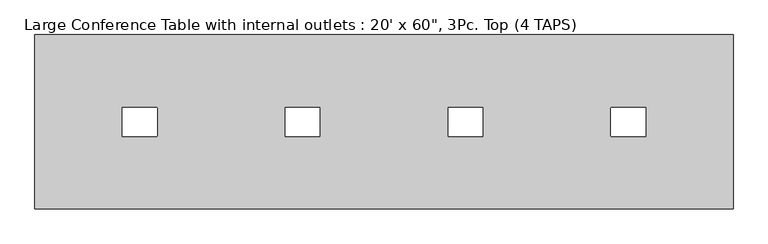
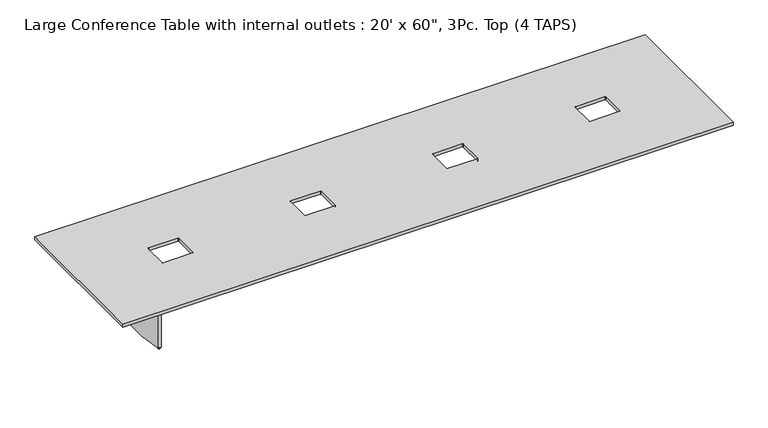
"""IFC4 building model written with IfcOpenShell, lengths in millimetres: furniture geometry."""

from ifc_helpers import new_model, si_unit, point, frame, frame_2d, origin, place, context, project, spatial, polyline, circle_curve, trimmed, segment, composite_curve, outline, extrude, source, transform, mapped, element, save
from ifc_brep_helpers import plane_surface, cylinder_surface, advanced_brep


def furniture_cb877c6b(model_context):
    return source(origin(), model_context, "Body", "SolidModel", [
        advanced_brep(
        [(-2438.4, -330.2, 0.0), (-2438.4, -340.51875, 0.0), (-2438.4, -319.88125, 0.0), (-2438.4, -326.23125, 9.525), (-2438.4, -334.16875, 9.525), (-2438.4, -330.2, 9.525), (-2438.4, -326.23125, 6.35), (-2438.4, -334.16875, 6.35), (-2438.4, -319.88125, 6.35), (-2438.4, -340.51875, 6.35)],
        [
            (0, 1),
            (1, 2, circle_curve(frame((-2438.4, -330.2, 0.0), z_axis=(0.0, 0.0, -1.0), x_axis=(0.0, -1.0, 0.0)), 10.31875)),
            (2, 0),
            (2, 1, circle_curve(frame((-2438.4, -330.2, 0.0), z_axis=(0.0, 0.0, -1.0), x_axis=(0.0, -1.0, 0.0)), 10.31875)),
            (3, 4, circle_curve(frame((-2438.4, -330.2, 9.525), z_axis=(0.0, 0.0, 1.0), x_axis=(0.0, -1.0, 0.0)), 3.96875)),
            (4, 5),
            (5, 3),
            (4, 3, circle_curve(frame((-2438.4, -330.2, 9.525), z_axis=(0.0, 0.0, 1.0), x_axis=(0.0, -1.0, 0.0)), 3.96875)),
            (6, 7, circle_curve(frame((-2438.4, -330.2, 6.35), z_axis=(0.0, 0.0, 1.0), x_axis=(0.0, -1.0, 0.0)), 3.96875)),
            (7, 4),
            (3, 6),
            (7, 6, circle_curve(frame((-2438.4, -330.2, 6.35), z_axis=(0.0, 0.0, 1.0), x_axis=(0.0, -1.0, 0.0)), 3.96875)),
            (8, 9, circle_curve(frame((-2438.4, -330.2, 6.35), z_axis=(0.0, 0.0, 1.0), x_axis=(0.0, -1.0, 0.0)), 10.31875)),
            (9, 7),
            (6, 8),
            (9, 8, circle_curve(frame((-2438.4, -330.2, 6.35), z_axis=(0.0, 0.0, 1.0), x_axis=(0.0, -1.0, 0.0)), 10.31875)),
            (1, 9),
            (8, 2),
        ],
        [
            plane_surface(frame((-2438.4, -330.2, 0.0), z_axis=(0.0, 0.0, -1.0), x_axis=(0.0, -1.0, 0.0))),
            plane_surface(frame((-2438.4, -330.2, 9.525), z_axis=(0.0, 0.0, 1.0), x_axis=(0.0, -1.0, 0.0))),
            cylinder_surface(frame((-2438.4, -330.2, 2435.225), z_axis=(0.0, 0.0, -1.0), x_axis=(0.0, -1.0, 0.0)), 3.96875),
            plane_surface(frame((-2438.4, -330.2, 6.35), z_axis=(0.0, 0.0, 1.0), x_axis=(0.0, -1.0, 0.0))),
            cylinder_surface(frame((-2438.4, -330.2, 2435.225), z_axis=(0.0, 0.0, -1.0), x_axis=(0.0, -1.0, 0.0)), 10.31875),
        ],
        [
            (0, [[1, 2, 3]]),
            (0, [[-3, 4, -1]]),
            (1, [[5, 6, 7]]),
            (1, [[8, -7, -6]]),
            (2, [[9, 10, -5, 11]]),
            (2, [[12, -11, -8, -10]]),
            (3, [[13, 14, -9, 15]]),
            (3, [[16, -15, -12, -14]]),
            (4, [[-2, 17, -13, 18]]),
            (4, [[-4, -18, -16, -17]]),
        ],
    ),
        extrude(outline(composite_curve([segment(polyline([(-2451.0999697, 342.9), (-2425.7000303, 342.9)]), True, "CONTINUOUS"), segment(trimmed(circle_curve(frame_2d((-3949.6987888, 0.0)), 1562.0987888), [point((-2425.7000303, 342.9))], [point((-2425.7000303, -342.9))], False, "CARTESIAN"), True, "CONTINUOUS"), segment(polyline([(-2425.7000303, -342.9), (-2451.0999697, -342.9)]), True, "CONTINUOUS"), segment(trimmed(circle_curve(frame_2d((-927.1012112, 0.0)), 1562.0987888), [point((-2451.0999697, -342.9))], [point((-2451.0999697, 342.9))], False, "CARTESIAN"), True, "CONTINUOUS")], self_intersect=False)), frame((0.0, 0.0, 9.525), z_axis=(0.0, 0.0, 1.0), x_axis=(1.0, 0.0, 0.0)), (0.0, 0.0, 1.0), 594.1314),
        extrude(outline(polyline([(-3048.0, -762.0), (-3048.0, 762.0), (3048.0, 762.0), (3048.0, -762.0), (-3048.0, -762.0)]), holes=[composite_curve([segment(trimmed(circle_curve(frame_2d((-1987.55, -120.65)), 6.35), [point((-1987.55, -127.0))], [point((-1981.2, -120.65))], True, "CARTESIAN"), True, "CONTINUOUS"), segment(polyline([(-1981.2, -120.65), (-1981.2, 120.65)]), True, "CONTINUOUS"), segment(trimmed(circle_curve(frame_2d((-1987.55, 120.65)), 6.35), [point((-1981.2, 120.65))], [point((-1987.55, 127.0))], True, "CARTESIAN"), True, "CONTINUOUS"), segment(polyline([(-1987.55, 127.0), (-2279.65, 127.0)]), True, "CONTINUOUS"), segment(trimmed(circle_curve(frame_2d((-2279.65, 120.65)), 6.35), [point((-2279.65, 127.0))], [point((-2286.0, 120.65))], True, "CARTESIAN"), True, "CONTINUOUS"), segment(polyline([(-2286.0, 120.65), (-2286.0, -120.65)]), True, "CONTINUOUS"), segment(trimmed(circle_curve(frame_2d((-2279.65, -120.65)), 6.35), [point((-2286.0, -120.65))], [point((-2279.65, -127.0))], True, "CARTESIAN"), True, "CONTINUOUS"), segment(polyline([(-2279.65, -127.0), (-1987.55, -127.0)]), True, "CONTINUOUS")], self_intersect=False), composite_curve([segment(trimmed(circle_curve(frame_2d((-565.15, -120.65)), 6.35), [point((-565.15, -127.0))], [point((-558.8, -120.65))], True, "CARTESIAN"), True, "CONTINUOUS"), segment(polyline([(-558.8, -120.65), (-558.8, 120.65)]), True, "CONTINUOUS"), segment(trimmed(circle_curve(frame_2d((-565.15, 120.65)), 6.35), [point((-558.8, 120.65))], [point((-565.15, 127.0))], True, "CARTESIAN"), True, "CONTINUOUS"), segment(polyline([(-565.15, 127.0), (-857.25, 127.0)]), True, "CONTINUOUS"), segment(trimmed(circle_curve(frame_2d((-857.25, 120.65)), 6.35), [point((-857.25, 127.0))], [point((-863.6, 120.65))], True, "CARTESIAN"), True, "CONTINUOUS"), segment(polyline([(-863.6, 120.65), (-863.6, -120.65)]), True, "CONTINUOUS"), segment(trimmed(circle_curve(frame_2d((-857.25, -120.65)), 6.35), [point((-863.6, -120.65))], [point((-857.25, -127.0))], True, "CARTESIAN"), True, "CONTINUOUS"), segment(polyline([(-857.25, -127.0), (-565.15, -127.0)]), True, "CONTINUOUS")], self_intersect=False), composite_curve([segment(trimmed(circle_curve(frame_2d((857.25, -120.65)), 6.35), [point((857.25, -127.0))], [point((863.6, -120.65))], True, "CARTESIAN"), True, "CONTINUOUS"), segment(polyline([(863.6, -120.65), (863.6, 120.65)]), True, "CONTINUOUS"), segment(trimmed(circle_curve(frame_2d((857.25, 120.65)), 6.35), [point((863.6, 120.65))], [point((857.25, 127.0))], True, "CARTESIAN"), True, "CONTINUOUS"), segment(polyline([(857.25, 127.0), (565.15, 127.0)]), True, "CONTINUOUS"), segment(trimmed(circle_curve(frame_2d((565.15, 120.65)), 6.35), [point((565.15, 127.0))], [point((558.8, 120.65))], True, "CARTESIAN"), True, "CONTINUOUS"), segment(polyline([(558.8, 120.65), (558.8, -120.65)]), True, "CONTINUOUS"), segment(trimmed(circle_curve(frame_2d((565.15, -120.65)), 6.35), [point((558.8, -120.65))], [point((565.15, -127.0))], True, "CARTESIAN"), True, "CONTINUOUS"), segment(polyline([(565.15, -127.0), (857.25, -127.0)]), True, "CONTINUOUS")], self_intersect=False), composite_curve([segment(trimmed(circle_curve(frame_2d((2279.65, -120.65)), 6.35), [point((2279.65, -127.0))], [point((2286.0, -120.65))], True, "CARTESIAN"), True, "CONTINUOUS"), segment(polyline([(2286.0, -120.65), (2286.0, 120.65)]), True, "CONTINUOUS"), segment(trimmed(circle_curve(frame_2d((2279.65, 120.65)), 6.35), [point((2286.0, 120.65))], [point((2279.65, 127.0))], True, "CARTESIAN"), True, "CONTINUOUS"), segment(polyline([(2279.65, 127.0), (1987.55, 127.0)]), True, "CONTINUOUS"), segment(trimmed(circle_curve(frame_2d((1987.55, 120.65)), 6.35), [point((1987.55, 127.0))], [point((1981.2, 120.65))], True, "CARTESIAN"), True, "CONTINUOUS"), segment(polyline([(1981.2, 120.65), (1981.2, -120.65)]), True, "CONTINUOUS"), segment(trimmed(circle_curve(frame_2d((1987.55, -120.65)), 6.35), [point((1981.2, -120.65))], [point((1987.55, -127.0))], True, "CARTESIAN"), True, "CONTINUOUS"), segment(polyline([(1987.55, -127.0), (2279.65, -127.0)]), True, "CONTINUOUS")], self_intersect=False)]), frame((0.0, 0.0, 692.15), z_axis=(0.0, 0.0, 1.0), x_axis=(1.0, 0.0, 0.0)), (0.0, 0.0, 1.0), 31.75),
    ])


if __name__ == "__main__":
    model = new_model("IFC4")
    model_context = context("Model", 3, world=origin())
    ifc_project = project(units=[si_unit("LENGTHUNIT", "METRE", prefix="MILLI")], contexts=[model_context])
    site = spatial("IfcSite", under=ifc_project)
    building = spatial("IfcBuilding", under=site)
    placement = place(None, origin())
    furniture_shape = furniture_cb877c6b(model_context)
    element("IfcFurniture", 1, ObjectType="Large Conference Table with internal outlets : 20' x 60\", 3Pc. Top (4 TAPS)", at=placement, inside=building, context=model_context, shape_type="MappedRepresentation", body=[
        mapped(furniture_shape, transform((0.0, 0.0, 0.0), x_axis=(1.0, 0.0, 0.0), y_axis=(0.0, 1.0, 0.0), z_axis=(0.0, 0.0, 1.0))),
    ])
    save(model, "model.ifc")
